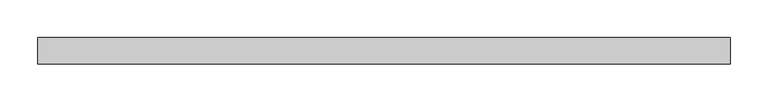
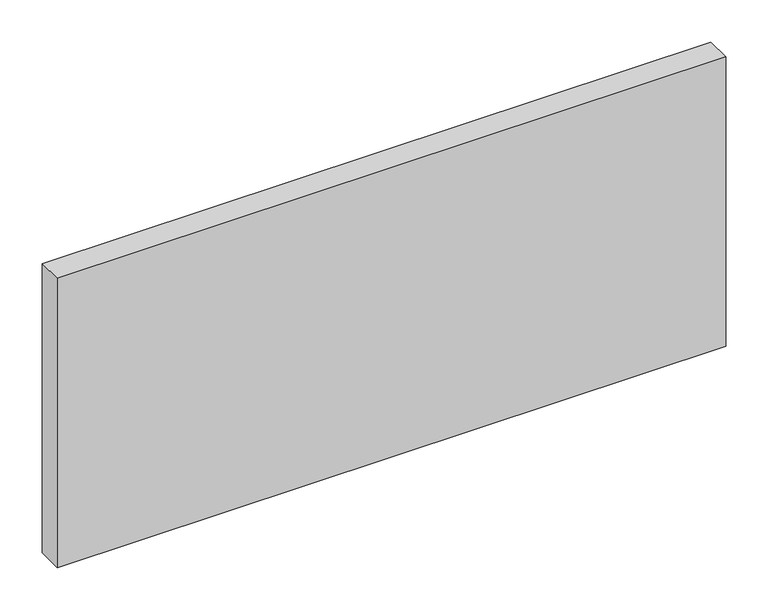
"""IFC4 building model written with IfcOpenShell, lengths in millimetres: plate geometry."""

from ifc_helpers import new_model, si_unit, origin, origin_with_axes, place, context, project, spatial, polyline, outline, extrude, source, transform, mapped, element, save


def plate_1d76390e(model_context):
    return source(origin(), model_context, "Body", "SweptSolid", [
        extrude(outline(polyline([(456.5178571, -17.5), (-456.5178571, -17.5), (-456.5178571, 17.5), (456.5178571, 17.5), (456.5178571, -17.5)])), origin_with_axes(), (0.0, 0.0, 1.0), 417.625),
    ])


if __name__ == "__main__":
    model = new_model("IFC4")
    model_context = context("Model", 3, world=origin())
    ifc_project = project(units=[si_unit("LENGTHUNIT", "METRE", prefix="MILLI")], contexts=[model_context])
    site = spatial("IfcSite", under=ifc_project)
    building = spatial("IfcBuilding", under=site)
    placement = place(None, origin())
    plate_shape = plate_1d76390e(model_context)
    element("IfcPlate", 1, at=placement, inside=building, context=model_context, shape_type="MappedRepresentation", body=[
        mapped(plate_shape, transform((0.0, 0.0, 0.0), x_axis=(1.0, 0.0, 0.0), y_axis=(0.0, 1.0, 0.0), z_axis=(0.0, 0.0, 1.0))),
    ])
    save(model, "model.ifc")
